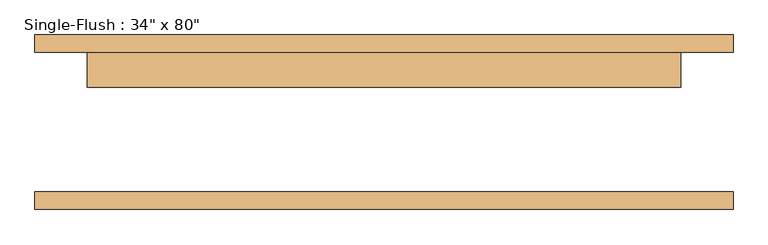
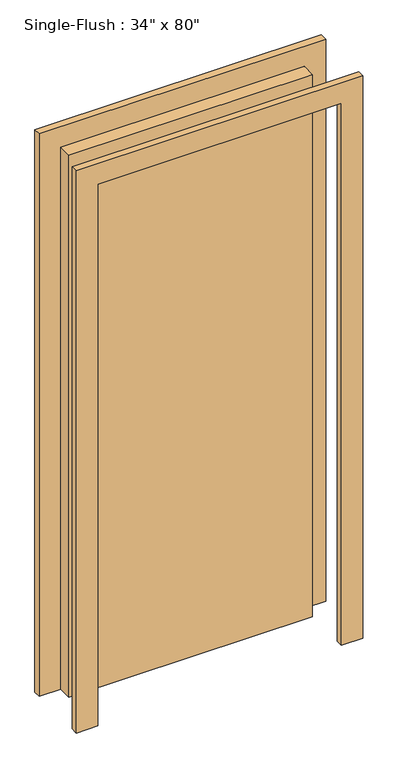
"""IFC4 building model written with IfcOpenShell, lengths in millimetres: door geometry."""

import ifcopenshell
import ifcopenshell.guid

model = None  # the IFC model being written
_history = None  # IfcOwnerHistory: only IFC2X3 demands one
_inside = {}  # id of a spatial element -> (the spatial element, [elements in it])
_under = {}  # id of a project, library or spatial element -> (it, [spatial elements below it])
_declared = {}  # id of a project -> (the project, [libraries it declares])
_typed = {}  # id of a type object -> (the type object, [elements of that type])
_made_of = {}  # id of a material, layer set ... -> (it, [elements and type objects made of it])


def new_model(schema):
    """Start an empty IFC model of exactly this schema.

    Asked for "IFC4X3", IfcOpenShell would pick the latest addendum, in which some entities
    have other attributes; the version numbers below select the first issue.
    IFC2X3 requires an IfcOwnerHistory on every rooted entity: one is made here for all.
    """
    global model, _history
    if schema == "IFC4X3":
        model = ifcopenshell.file(schema_version=(4, 3, 0, 0))
    else:
        model = ifcopenshell.file(schema=schema)
    _inside.clear()
    _under.clear()
    _declared.clear()
    _typed.clear()
    _made_of.clear()
    _history = None
    if model.schema == "IFC2X3":
        org = make("IfcOrganization", Name="unknown")
        user = make(
            "IfcPersonAndOrganization",
            ThePerson=make("IfcPerson", FamilyName="unknown"),
            TheOrganization=org,
        )
        app = make(
            "IfcApplication",
            ApplicationDeveloper=org,
            Version="unknown",
            ApplicationFullName="unknown",
            ApplicationIdentifier="unknown",
        )
        _history = make(
            "IfcOwnerHistory",
            OwningUser=user,
            OwningApplication=app,
            ChangeAction="ADDED",
            CreationDate=0,
        )
    return model


def make(cls, **values):
    """One entity of the class cls with the attributes given. An attribute that is None is left unset."""
    return model.create_entity(
        cls, **{name: value for name, value in values.items() if value is not None}
    )


def rooted(cls, **values):
    """An entity with a GlobalId (a new one), such as an element, a storey or a relation."""
    return make(cls, GlobalId=ifcopenshell.guid.new(), OwnerHistory=_history, **values)


def si_unit(unit_type, name, prefix=None):
    """IfcSIUnit, for example si_unit("LENGTHUNIT", "METRE", prefix="MILLI")."""
    return make("IfcSIUnit", UnitType=unit_type, Prefix=prefix, Name=name)


def assignment(units):
    """IfcUnitAssignment: the units of a project."""
    return None if units is None else make("IfcUnitAssignment", Units=units)


def point(xyz):
    """IfcCartesianPoint."""
    return None if xyz is None else make("IfcCartesianPoint", Coordinates=xyz)


def direction(xyz):
    """IfcDirection."""
    return None if xyz is None else make("IfcDirection", DirectionRatios=xyz)


def frame(location, z_axis=None, x_axis=None):
    """IfcAxis2Placement3D, a coordinate frame: its origin and axes. An axis left out is left unset."""
    return make(
        "IfcAxis2Placement3D",
        Location=point(location),
        Axis=direction(z_axis),
        RefDirection=direction(x_axis),
    )


def origin():
    """The frame at (0, 0, 0) with its axes left unset."""
    return frame((0.0, 0.0, 0.0))


def origin_with_axes():
    """The frame at (0, 0, 0) with the z axis (0, 0, 1) and the x axis (1, 0, 0) written out."""
    return frame((0.0, 0.0, 0.0), z_axis=(0.0, 0.0, 1.0), x_axis=(1.0, 0.0, 0.0))


def place(relative_to, where):
    """IfcLocalPlacement: puts the frame where relative to a parent placement (None: the world)."""
    return make(
        "IfcLocalPlacement", PlacementRelTo=relative_to, RelativePlacement=where
    )


def context(
    kind, dimensions, precision=None, world=None, true_north=None, identifier=None
):
    """IfcGeometricRepresentationContext, for example the 3D "Model" context."""
    return make(
        "IfcGeometricRepresentationContext",
        ContextIdentifier=identifier,
        ContextType=kind,
        CoordinateSpaceDimension=dimensions,
        Precision=precision,
        WorldCoordinateSystem=world,
        TrueNorth=true_north,
    )


def project(units=None, contexts=None):
    """IfcProject with its units and contexts."""
    return rooted(
        "IfcProject",
        Name="project",
        RepresentationContexts=contexts,
        UnitsInContext=assignment(units),
    )


def spatial(cls, under=None, at=None, **own):
    """A site, building, storey or space (cls), placed at a placement, below another one or the project."""
    s = rooted(cls, ObjectPlacement=at, **own)
    if under is not None:
        _under.setdefault(under.id(), (under, []))[1].append(s)
    return s


def polyline(points):
    """IfcPolyline through the points."""
    return make("IfcPolyline", Points=[point(p) for p in points])


def outline(outer, holes=None, kind="AREA"):
    """IfcArbitraryClosedProfileDef: a profile drawn as a closed curve; with holes, ...WithVoids."""
    if holes is None:
        return make("IfcArbitraryClosedProfileDef", ProfileType=kind, OuterCurve=outer)
    return make(
        "IfcArbitraryProfileDefWithVoids",
        ProfileType=kind,
        OuterCurve=outer,
        InnerCurves=holes,
    )


def extrude(swept, where, along, depth):
    """IfcExtrudedAreaSolid: the profile swept, set in the frame where, extruded along a direction by depth."""
    return make(
        "IfcExtrudedAreaSolid",
        SweptArea=swept,
        Position=where,
        ExtrudedDirection=direction(along),
        Depth=depth,
    )


def shape(context_of_items, identifier, shape_type, items):
    """IfcShapeRepresentation: the items that make up one representation, for example the "Body"."""
    return make(
        "IfcShapeRepresentation",
        ContextOfItems=context_of_items,
        RepresentationIdentifier=identifier,
        RepresentationType=shape_type,
        Items=items,
    )


def source(mapping_origin, context_of_items, identifier, shape_type, items):
    """IfcRepresentationMap: a shape defined once, which mapped items show again and again."""
    return make(
        "IfcRepresentationMap",
        MappingOrigin=mapping_origin,
        MappedRepresentation=shape(context_of_items, identifier, shape_type, items),
    )


def transform(
    local_origin,
    x_axis=None,
    y_axis=None,
    z_axis=None,
    scale=None,
    scale2=None,
    scale3=None,
    uniform=True,
):
    """IfcCartesianTransformationOperator3D, or its non-uniform kind. x_axis, y_axis, z_axis: its Axis1, 2, 3."""
    if uniform:
        return make(
            "IfcCartesianTransformationOperator3D",
            Axis1=direction(x_axis),
            Axis2=direction(y_axis),
            LocalOrigin=point(local_origin),
            Scale=scale,
            Axis3=direction(z_axis),
        )
    return make(
        "IfcCartesianTransformationOperator3DnonUniform",
        Axis1=direction(x_axis),
        Axis2=direction(y_axis),
        LocalOrigin=point(local_origin),
        Scale=scale,
        Axis3=direction(z_axis),
        Scale2=scale2,
        Scale3=scale3,
    )


def mapped(mapping_source, mapping_target):
    """IfcMappedItem: shows the shape of a source again, moved by a transform."""
    return make(
        "IfcMappedItem", MappingSource=mapping_source, MappingTarget=mapping_target
    )


def made_of(thing, what):
    """Note that an element or type object is made of a material, layer set ...; save() writes the relation."""
    if what is not None:
        _made_of.setdefault(what.id(), (what, []))[1].append(thing)
    return thing


def element(
    cls,
    number,
    at=None,
    inside=None,
    cuts=None,
    type_object=None,
    material=None,
    context=None,
    identifier="Body",
    shape_type=None,
    held_by="IfcProductDefinitionShape",
    body=None,
    shapes=None,
    **own,
):
    """One element of the class cls, such as IfcWall. Its Tag is "e" and its number.

    at: its placement. inside: the storey or other place that contains it. cuts: it is an
    opening in that element (IfcRelVoidsElement). A single representation is given by context,
    identifier, shape_type and body (its items); several are given by shapes. held_by: the class
    of the entity that holds the representations. save() writes the other relations.
    """
    e = rooted(cls, Tag="e%d" % number, ObjectPlacement=at, **own)
    if body is not None:
        shapes = [shape(context, identifier, shape_type, body)]
    if shapes is not None:
        e.Representation = make(held_by, Representations=shapes)
    if inside is not None:
        _inside.setdefault(inside.id(), (inside, []))[1].append(e)
    if cuts is not None:
        rooted(
            "IfcRelVoidsElement", RelatingBuildingElement=cuts, RelatedOpeningElement=e
        )
    if type_object is not None:
        _typed.setdefault(type_object.id(), (type_object, []))[1].append(e)
    return made_of(e, material)


def aggregate(whole, parts):
    """IfcRelAggregates: a whole, such as a stair, and the parts it consists of."""
    return rooted("IfcRelAggregates", RelatingObject=whole, RelatedObjects=parts)


def save(model, path):
    """Write the relations noted so far, then the file.

    IfcRelAggregates (storeys below a building ...), IfcRelContainedInSpatialStructure (elements
    in a storey), IfcRelDefinesByType, IfcRelAssociatesMaterial and IfcRelDeclares: one each for
    every whole, place, type object, material and project.
    """
    for whole, parts in _under.values():
        aggregate(whole, parts)
    for where, things in _inside.values():
        rooted(
            "IfcRelContainedInSpatialStructure",
            RelatedElements=things,
            RelatingStructure=where,
        )
    for kind, things in _typed.values():
        rooted("IfcRelDefinesByType", RelatedObjects=things, RelatingType=kind)
    for what, things in _made_of.values():
        rooted("IfcRelAssociatesMaterial", RelatedObjects=things, RelatingMaterial=what)
    for by, libraries in _declared.values():
        rooted("IfcRelDeclares", RelatingContext=by, RelatedDefinitions=libraries)
    model.write(path)


def door_ef9e9df2(model_context):
    return source(origin(), model_context, "Body", "SweptSolid", [
        extrude(outline(polyline([(2108.2, -508.0), (0.0, -508.0), (0.0, -431.8), (2032.0, -431.8), (2032.0, 431.8), (0.0, 431.8), (0.0, 508.0), (2108.2, 508.0), (2108.2, -508.0)])), frame((0.0, 101.6, 0.0), z_axis=(0.0, 1.0, 0.0), x_axis=(0.0, 0.0, 1.0)), (0.0, 0.0, 1.0), 25.4),
        extrude(outline(polyline([(2108.2, 508.0), (2108.2, -508.0), (0.0, -508.0), (0.0, -431.8), (2032.0, -431.8), (2032.0, 431.8), (0.0, 431.8), (0.0, 508.0), (2108.2, 508.0)])), frame((0.0, -127.0, 0.0), z_axis=(0.0, 1.0, 0.0), x_axis=(0.0, 0.0, 1.0)), (0.0, 0.0, 1.0), 25.4),
        extrude(outline(polyline([(431.8, 50.8), (-431.8, 50.8), (-431.8, 101.6), (431.8, 101.6), (431.8, 50.8)])), origin_with_axes(), (0.0, 0.0, 1.0), 2032.0),
    ])


if __name__ == "__main__":
    model = new_model("IFC4")
    model_context = context("Model", 3, world=origin())
    ifc_project = project(units=[si_unit("LENGTHUNIT", "METRE", prefix="MILLI")], contexts=[model_context])
    site = spatial("IfcSite", under=ifc_project)
    building = spatial("IfcBuilding", under=site)
    placement = place(None, origin())
    door_shape = door_ef9e9df2(model_context)
    element("IfcDoor", 1, ObjectType="Single-Flush : 34\" x 80\"", at=placement, inside=building, context=model_context, shape_type="MappedRepresentation", body=[
        mapped(door_shape, transform((0.0, 0.0, 0.0), x_axis=(1.0, 0.0, 0.0), y_axis=(0.0, 1.0, 0.0), z_axis=(0.0, 0.0, 1.0))),
    ])
    save(model, "model.ifc")
